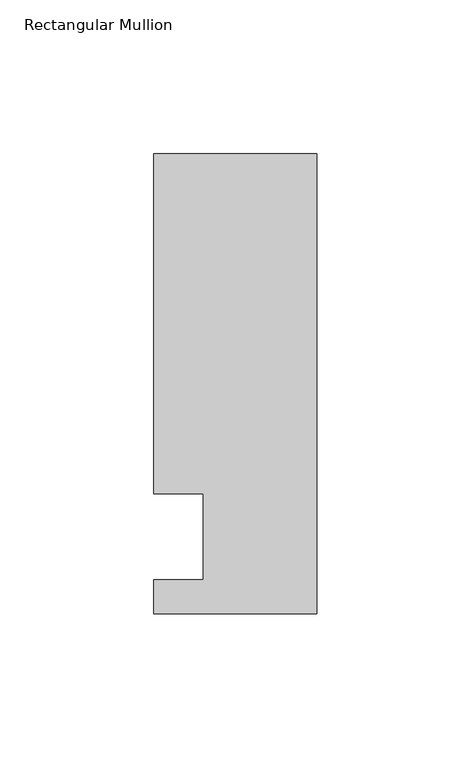
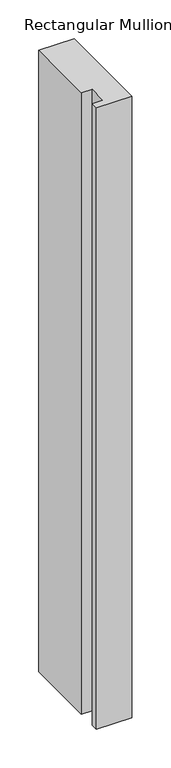
"""IFC4 building model written with IfcOpenShell, lengths in millimetres: member geometry, Rectangular Mullion."""

from ifc_helpers import new_model, si_unit, frame, origin, place, context, project, spatial, polyline, outline, extrude, source, transform, mapped, element, save


def rectangular_mullion_adce1da2(model_context):
    return source(origin(), model_context, "Body", "SweptSolid", [
        extrude(outline(polyline([(0.0, -25.0), (-53.0, -25.0), (-53.0, -14.0), (-37.0, -14.0), (-37.0, 14.0), (-53.0, 14.0), (-53.0, 124.5), (0.0, 124.5), (0.0, -25.0)])), frame((0.0, 0.0, -981.5000086), z_axis=(0.0, 0.0, 1.0), x_axis=(1.0, 0.0, 0.0)), (0.0, 0.0, 1.0), 981.5000086),
    ])


if __name__ == "__main__":
    model = new_model("IFC4")
    model_context = context("Model", 3, world=origin())
    ifc_project = project(units=[si_unit("LENGTHUNIT", "METRE", prefix="MILLI")], contexts=[model_context])
    site = spatial("IfcSite", under=ifc_project)
    building = spatial("IfcBuilding", under=site)
    placement = place(None, origin())
    rectangular_mullion_shape = rectangular_mullion_adce1da2(model_context)
    element("IfcMember", 1, ObjectType="Rectangular Mullion", at=placement, inside=building, context=model_context, shape_type="MappedRepresentation", body=[
        mapped(rectangular_mullion_shape, transform((0.0, 0.0, 0.0), x_axis=(1.0, 0.0, 0.0), y_axis=(0.0, 1.0, 0.0), z_axis=(0.0, 0.0, 1.0))),
    ])
    save(model, "model.ifc")
